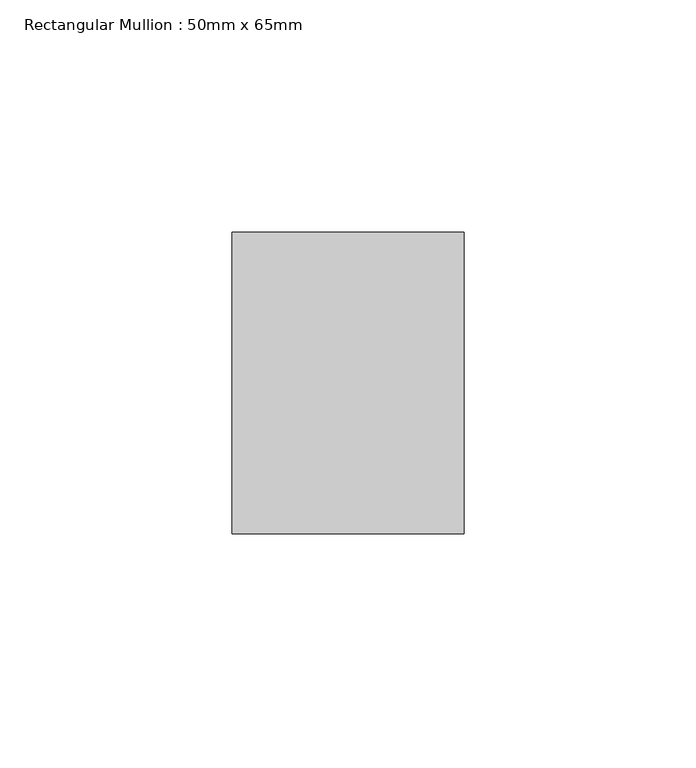
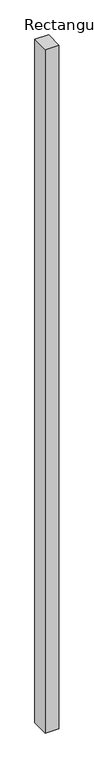
"""IFC4 building model written with IfcOpenShell, lengths in millimetres: member geometry, Rectangular Mullion : 50mm x 65mm."""

from ifc_helpers import new_model, si_unit, frame, origin, place, context, project, spatial, polyline, outline, extrude, source, transform, mapped, element, save


def rectangular_mullion_50mm_x_65mm_8a0c7a96(model_context):
    return source(origin(), model_context, "Body", "SweptSolid", [
        extrude(outline(polyline([(25.0, 32.5), (25.0, -32.5), (-25.0, -32.5), (-25.0, 32.5), (25.0, 32.5)])), frame((0.0, 0.0, -2625.0753823), z_axis=(0.0, 0.0, 1.0), x_axis=(1.0, 0.0, 0.0)), (0.0, 0.0, 1.0), 2625.0753823),
    ])


if __name__ == "__main__":
    model = new_model("IFC4")
    model_context = context("Model", 3, world=origin())
    ifc_project = project(units=[si_unit("LENGTHUNIT", "METRE", prefix="MILLI")], contexts=[model_context])
    site = spatial("IfcSite", under=ifc_project)
    building = spatial("IfcBuilding", under=site)
    placement = place(None, origin())
    rectangular_mullion_50mm_x_65mm_shape = rectangular_mullion_50mm_x_65mm_8a0c7a96(model_context)
    element("IfcMember", 1, ObjectType="Rectangular Mullion : 50mm x 65mm", at=placement, inside=building, context=model_context, shape_type="MappedRepresentation", body=[
        mapped(rectangular_mullion_50mm_x_65mm_shape, transform((0.0, 0.0, 0.0), x_axis=(1.0, 0.0, 0.0), y_axis=(0.0, 1.0, 0.0), z_axis=(0.0, 0.0, 1.0))),
    ])
    save(model, "model.ifc")
